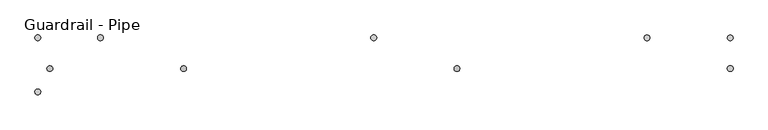
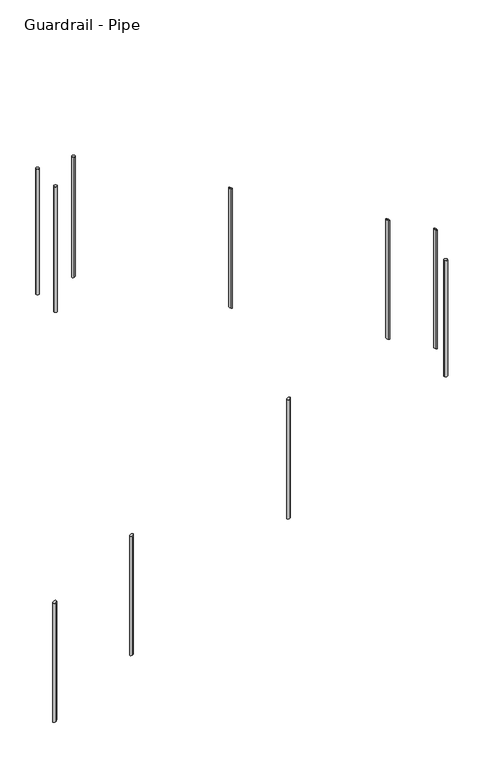
"""IFC4 building model written with IfcOpenShell, lengths in millimetres: railing geometry, Guardrail - Pipe."""

from ifc_helpers import new_model, si_unit, point, frame, frame_2d, origin, place, context, project, spatial, circle_curve, ellipse_curve, trimmed, segment, composite_curve, outline, extrude, source, transform, mapped, element, save
from ifc_brep_helpers import plane_surface, cylinder_surface, advanced_brep


def guardrail_pipe_5c533cdc(model_context):
    return source(origin(), model_context, "Body", "SolidModel", [
        advanced_brep(
        [(3325.1452881, -22477.3087769, 9148.9530083), (3325.1452881, -22477.3087769, 8175.7424099), (3325.1452881, -22502.7087769, 8175.7424099), (3325.1452881, -22502.7087769, 9148.9530083)],
        [
            (0, 1),
            (1, 2, ellipse_curve(frame((3325.1452881, -22490.0087769, 8175.7424099), z_axis=(-0.49465847024287274, 0.0, 0.8690874511906044), x_axis=(0.8690874511906044, 0.0, 0.49465847024287246)), 14.6130289, 12.7)),
            (2, 3),
            (3, 0, ellipse_curve(frame((3325.1452881, -22490.0087769, 9148.9530083), z_axis=(0.49465847024287474, 0.0, -0.8690874511906033), x_axis=(0.8690874511906034, 0.0, 0.4946584702428743)), 14.6130289, 12.7)),
            (0, 3, ellipse_curve(frame((3325.1452881, -22490.0087769, 9148.9530083), z_axis=(0.49465847024287474, 0.0, -0.8690874511906033), x_axis=(0.8690874511906034, 0.0, 0.4946584702428743)), 14.6130289, 12.7)),
            (2, 1, ellipse_curve(frame((3325.1452881, -22490.0087769, 8175.7424099), z_axis=(-0.49465847024287274, 0.0, 0.8690874511906044), x_axis=(0.8690874511906044, 0.0, 0.49465847024287246)), 14.6130289, 12.7)),
        ],
        [
            cylinder_surface(frame((3325.1452881, -22490.0087769, 7947.1424099), z_axis=(0.0, 0.0, 1.0), x_axis=(0.0, -1.0, 0.0)), 12.7),
            plane_surface(frame((3299.7452881, -22515.4087769, 9134.4960913), z_axis=(-0.49465847024287474, 0.0, 0.8690874511906033), x_axis=(0.0, 1.0, 0.0))),
            plane_surface(frame((3350.5452881, -22515.4087769, 8190.1993269), z_axis=(0.49465847024287274, 0.0, -0.8690874511906044), x_axis=(0.0, 1.0, 0.0))),
        ],
        [
            (0, [[1, 2, 3, 4]]),
            (0, [[-1, 5, -3, 6]]),
            (1, [[-4, -5]]),
            (2, [[-2, -6]]),
        ],
    ),
        advanced_brep(
        [(4544.3452881, -22477.3087769, 9842.8850241), (4544.3452881, -22477.3087769, 8869.6744257), (4544.3452881, -22502.7087769, 8869.6744257), (4544.3452881, -22502.7087769, 9842.8850241)],
        [
            (0, 1),
            (1, 2, ellipse_curve(frame((4544.3452881, -22490.0087769, 8869.6744257), z_axis=(-0.49465847024287274, 0.0, 0.8690874511906044), x_axis=(0.8690874511906044, 0.0, 0.49465847024287246)), 14.6130289, 12.7)),
            (2, 3),
            (3, 0, ellipse_curve(frame((4544.3452881, -22490.0087769, 9842.8850241), z_axis=(0.49465847024287474, 0.0, -0.8690874511906033), x_axis=(0.8690874511906034, 0.0, 0.4946584702428743)), 14.6130289, 12.7)),
            (0, 3, ellipse_curve(frame((4544.3452881, -22490.0087769, 9842.8850241), z_axis=(0.49465847024287474, 0.0, -0.8690874511906033), x_axis=(0.8690874511906034, 0.0, 0.4946584702428743)), 14.6130289, 12.7)),
            (2, 1, ellipse_curve(frame((4544.3452881, -22490.0087769, 8869.6744257), z_axis=(-0.49465847024287274, 0.0, 0.8690874511906044), x_axis=(0.8690874511906044, 0.0, 0.49465847024287246)), 14.6130289, 12.7)),
        ],
        [
            cylinder_surface(frame((4544.3452881, -22490.0087769, 8641.0744257), z_axis=(0.0, 0.0, 1.0), x_axis=(0.0, -1.0, 0.0)), 12.7),
            plane_surface(frame((4518.9452881, -22515.4087769, 9828.4281071), z_axis=(-0.49465847024287474, 0.0, 0.8690874511906033), x_axis=(0.0, 1.0, 0.0))),
            plane_surface(frame((4569.7452881, -22515.4087769, 8884.1313427), z_axis=(0.49465847024287274, 0.0, -0.8690874511906044), x_axis=(0.0, 1.0, 0.0))),
        ],
        [
            (0, [[1, 2, 3, 4]]),
            (0, [[-1, 5, -3, 6]]),
            (1, [[-4, -5]]),
            (2, [[-2, -6]]),
        ],
    ),
        advanced_brep(
        [(5392.1904629, -22365.5340928, 10932.9978312), (5392.1904629, -22365.5340928, 9958.4777259), (5392.1904629, -22340.1340928, 9958.4777259), (5392.1904629, -22340.1340928, 10932.9978312)],
        [
            (0, 1),
            (1, 2, ellipse_curve(frame((5392.1904629, -22352.8340928, 9958.4777259), z_axis=(0.4886065085000147, 0.0, 0.872504257784124), x_axis=(-0.872504257784124, 0.0, 0.4886065085000147)), 14.5558029, 12.7)),
            (2, 3),
            (3, 0, ellipse_curve(frame((5392.1904629, -22352.8340928, 10932.9978312), z_axis=(-0.4892060854708135, 0.0, -0.8721682211238398), x_axis=(-0.87216822112384, 0.0, 0.48920608547081335)), 14.5614111, 12.7)),
            (0, 3, ellipse_curve(frame((5392.1904629, -22352.8340928, 10932.9978312), z_axis=(-0.4892060854708135, 0.0, -0.8721682211238398), x_axis=(-0.87216822112384, 0.0, 0.48920608547081335)), 14.5614111, 12.7)),
            (2, 1, ellipse_curve(frame((5392.1904629, -22352.8340928, 9958.4777259), z_axis=(0.4886065085000147, 0.0, 0.872504257784124), x_axis=(-0.872504257784124, 0.0, 0.4886065085000147)), 14.5558029, 12.7)),
        ],
        [
            cylinder_surface(frame((5392.1904629, -22352.8340928, 9729.8777259), z_axis=(0.0, 0.0, 1.0), x_axis=(0.0, 1.0, 0.0)), 12.7),
            plane_surface(frame((5417.5904629, -22327.4340928, 10918.7507694), z_axis=(0.4892060854708135, 0.0, 0.8721682211238398), x_axis=(0.0, -1.0, 0.0))),
            plane_surface(frame((5366.7904629, -22327.4340928, 9972.7018459), z_axis=(-0.4886065085000147, 0.0, -0.872504257784124), x_axis=(0.0, -1.0, 0.0))),
        ],
        [
            (0, [[1, 2, 3, 4]]),
            (0, [[-1, 5, -3, 6]]),
            (1, [[-4, -5]]),
            (2, [[-2, -6]]),
        ],
    ),
        advanced_brep(
        [(4172.9904629, -22365.5340928, 11616.856799), (4172.9904629, -22365.5340928, 10641.2354888), (4172.9904629, -22340.1340928, 10641.2354888), (4172.9904629, -22340.1340928, 11616.856799)],
        [
            (0, 1),
            (1, 2, ellipse_curve(frame((4172.9904629, -22352.8340928, 10641.2354888), z_axis=(0.4886065085000147, 0.0, 0.872504257784124), x_axis=(-0.872504257784124, 0.0, 0.4886065085000147)), 14.5558029, 12.7)),
            (2, 3),
            (3, 0, ellipse_curve(frame((4172.9904629, -22352.8340928, 11616.856799), z_axis=(-0.4892060854708135, 0.0, -0.8721682211238398), x_axis=(-0.87216822112384, 0.0, 0.48920608547081335)), 14.5614111, 12.7)),
            (0, 3, ellipse_curve(frame((4172.9904629, -22352.8340928, 11616.856799), z_axis=(-0.4892060854708135, 0.0, -0.8721682211238398), x_axis=(-0.87216822112384, 0.0, 0.48920608547081335)), 14.5614111, 12.7)),
            (2, 1, ellipse_curve(frame((4172.9904629, -22352.8340928, 10641.2354888), z_axis=(0.4886065085000147, 0.0, 0.872504257784124), x_axis=(-0.872504257784124, 0.0, 0.4886065085000147)), 14.5558029, 12.7)),
        ],
        [
            cylinder_surface(frame((4172.9904629, -22352.8340928, 10412.6354888), z_axis=(0.0, 0.0, 1.0), x_axis=(0.0, 1.0, 0.0)), 12.7),
            plane_surface(frame((4198.3904629, -22327.4340928, 11602.6097372), z_axis=(0.4892060854708135, 0.0, 0.8721682211238398), x_axis=(0.0, -1.0, 0.0))),
            plane_surface(frame((4147.5904629, -22327.4340928, 10655.4596088), z_axis=(-0.4886065085000147, 0.0, -0.872504257784124), x_axis=(0.0, -1.0, 0.0))),
        ],
        [
            (0, [[1, 2, 3, 4]]),
            (0, [[-1, 5, -3, 6]]),
            (1, [[-4, -5]]),
            (2, [[-2, -6]]),
        ],
    ),
        extrude(outline(composite_curve([segment(trimmed(circle_curve(frame_2d((5763.5452881, -22490.0087769)), 12.7), [point((5776.2452881, -22490.0087769))], [point((5750.8452881, -22490.0087769))], False, "CARTESIAN"), True, "CONTINUOUS"), segment(trimmed(circle_curve(frame_2d((5763.5452881, -22490.0087769)), 12.7), [point((5750.8452881, -22490.0087769))], [point((5776.2452881, -22490.0087769))], False, "CARTESIAN"), True, "CONTINUOUS")], self_intersect=False)), frame((0.0, 0.0, 9604.5130435), z_axis=(0.0, 0.0, 1.0), x_axis=(1.0, 0.0, 0.0)), (0.0, 0.0, 1.0), 952.5),
        advanced_brep(
        [(5763.5452881, -22365.5340928, 10724.701959), (5763.5452881, -22365.5340928, 9750.5172684), (5763.5452881, -22340.1340928, 9750.5172684), (5763.5452881, -22340.1340928, 10724.701959)],
        [
            (0, 1),
            (1, 2, ellipse_curve(frame((5763.5452881, -22352.8340928, 9750.5172684), z_axis=(0.4886065085000147, 0.0, 0.872504257784124), x_axis=(-0.872504257784124, 0.0, 0.4886065085000147)), 14.5558029, 12.7)),
            (2, 3),
            (3, 0, ellipse_curve(frame((5763.5452881, -22352.8340928, 10724.701959), z_axis=(-0.4892060854708135, 0.0, -0.8721682211238398), x_axis=(-0.87216822112384, 0.0, 0.48920608547081335)), 14.5614111, 12.7)),
            (0, 3, ellipse_curve(frame((5763.5452881, -22352.8340928, 10724.701959), z_axis=(-0.4892060854708135, 0.0, -0.8721682211238398), x_axis=(-0.87216822112384, 0.0, 0.48920608547081335)), 14.5614111, 12.7)),
            (2, 1, ellipse_curve(frame((5763.5452881, -22352.8340928, 9750.5172684), z_axis=(0.4886065085000147, 0.0, 0.872504257784124), x_axis=(-0.872504257784124, 0.0, 0.4886065085000147)), 14.5558029, 12.7)),
        ],
        [
            cylinder_surface(frame((5763.5452881, -22352.8340928, 9521.9172684), z_axis=(0.0, 0.0, 1.0), x_axis=(0.0, 1.0, 0.0)), 12.7),
            plane_surface(frame((5788.9452881, -22327.4340928, 10710.4548972), z_axis=(0.4892060854708135, 0.0, 0.8721682211238398), x_axis=(0.0, -1.0, 0.0))),
            plane_surface(frame((5738.1452881, -22327.4340928, 9764.7413885), z_axis=(-0.4886065085000147, 0.0, -0.872504257784124), x_axis=(0.0, -1.0, 0.0))),
        ],
        [
            (0, [[1, 2, 3, 4]]),
            (0, [[-1, 5, -3, 6]]),
            (1, [[-4, -5]]),
            (2, [[-2, -6]]),
        ],
    ),
        advanced_brep(
        [(2953.7904629, -22365.5340928, 12306.3), (2953.7904629, -22365.5340928, 11323.9932517), (2953.7904629, -22340.1340928, 11323.9932517), (2953.7904629, -22340.1340928, 12306.3)],
        [
            (0, 1),
            (1, 2, ellipse_curve(frame((2953.7904629, -22352.8340928, 11323.9932517), z_axis=(-0.48860650850001475, 0.0, 0.872504257784124), x_axis=(0.8725042577841241, 0.0, 0.4886065085000147)), 14.5558029, 12.7)),
            (2, 3),
            (3, 0, circle_curve(frame((2953.7904629, -22352.8340928, 12306.3), z_axis=(0.0, 0.0, -1.0), x_axis=(0.0, 1.0, 0.0)), 12.7)),
            (0, 3, circle_curve(frame((2953.7904629, -22352.8340928, 12306.3), z_axis=(0.0, 0.0, -1.0), x_axis=(0.0, 1.0, 0.0)), 12.7)),
            (2, 1, ellipse_curve(frame((2953.7904629, -22352.8340928, 11323.9932517), z_axis=(-0.48860650850001475, 0.0, 0.872504257784124), x_axis=(0.8725042577841241, 0.0, 0.4886065085000147)), 14.5558029, 12.7)),
        ],
        [
            cylinder_surface(frame((2953.7904629, -22352.8340928, 11095.3932517), z_axis=(0.0, 0.0, 1.0), x_axis=(0.0, 1.0, 0.0)), 12.7),
            plane_surface(frame((2979.1904629, -22327.4340928, 12306.3), z_axis=(0.0, 0.0, 1.0), x_axis=(0.0, -1.0, 0.0))),
            plane_surface(frame((2928.3904629, -22327.4340928, 11309.7691316), z_axis=(0.48860650850001475, 0.0, -0.872504257784124), x_axis=(0.0, -1.0, 0.0))),
        ],
        [
            (0, [[1, 2, 3, 4]]),
            (0, [[-1, 5, -3, 6]]),
            (1, [[-4, -5]]),
            (2, [[-2, -6]]),
        ],
    ),
        extrude(outline(composite_curve([segment(trimmed(circle_curve(frame_2d((2674.3904629, -22352.8340928)), 12.7), [point((2661.6904629, -22352.8340928))], [point((2687.0904629, -22352.8340928))], False, "CARTESIAN"), True, "CONTINUOUS"), segment(trimmed(circle_curve(frame_2d((2674.3904629, -22352.8340928)), 12.7), [point((2687.0904629, -22352.8340928))], [point((2661.6904629, -22352.8340928))], False, "CARTESIAN"), True, "CONTINUOUS")], self_intersect=False)), frame((0.0, 0.0, 11277.6), z_axis=(0.0, 0.0, 1.0), x_axis=(1.0, 0.0, 0.0)), (0.0, 0.0, 1.0), 1028.7),
        advanced_brep(
        [(2728.2452881, -22477.3087769, 8809.2154589), (2728.2452881, -22477.3087769, 7836.0048605), (2728.2452881, -22502.7087769, 7836.0048605), (2728.2452881, -22502.7087769, 8809.2154589)],
        [
            (0, 1),
            (1, 2, ellipse_curve(frame((2728.2452881, -22490.0087769, 7836.0048605), z_axis=(-0.49465847024287274, 0.0, 0.8690874511906044), x_axis=(0.8690874511906044, 0.0, 0.49465847024287246)), 14.6130289, 12.7)),
            (2, 3),
            (3, 0, ellipse_curve(frame((2728.2452881, -22490.0087769, 8809.2154589), z_axis=(0.49465847024287474, 0.0, -0.8690874511906033), x_axis=(0.8690874511906034, 0.0, 0.4946584702428743)), 14.6130289, 12.7)),
            (0, 3, ellipse_curve(frame((2728.2452881, -22490.0087769, 8809.2154589), z_axis=(0.49465847024287474, 0.0, -0.8690874511906033), x_axis=(0.8690874511906034, 0.0, 0.4946584702428743)), 14.6130289, 12.7)),
            (2, 1, ellipse_curve(frame((2728.2452881, -22490.0087769, 7836.0048605), z_axis=(-0.49465847024287274, 0.0, 0.8690874511906044), x_axis=(0.8690874511906044, 0.0, 0.49465847024287246)), 14.6130289, 12.7)),
        ],
        [
            cylinder_surface(frame((2728.2452881, -22490.0087769, 7607.4048605), z_axis=(0.0, 0.0, 1.0), x_axis=(0.0, -1.0, 0.0)), 12.7),
            plane_surface(frame((2702.8452881, -22515.4087769, 8794.7585419), z_axis=(-0.49465847024287474, 0.0, 0.8690874511906033), x_axis=(0.0, 1.0, 0.0))),
            plane_surface(frame((2753.6452881, -22515.4087769, 7850.4617775), z_axis=(0.49465847024287274, 0.0, -0.8690874511906044), x_axis=(0.0, 1.0, 0.0))),
        ],
        [
            (0, [[1, 2, 3, 4]]),
            (0, [[-1, 5, -3, 6]]),
            (1, [[-4, -5]]),
            (2, [[-2, -6]]),
        ],
    ),
        extrude(outline(composite_curve([segment(trimmed(circle_curve(frame_2d((2674.3904629, -22594.1340928)), 12.7), [point((2661.6904629, -22594.1340928))], [point((2687.0904629, -22594.1340928))], False, "CARTESIAN"), True, "CONTINUOUS"), segment(trimmed(circle_curve(frame_2d((2674.3904629, -22594.1340928)), 12.7), [point((2687.0904629, -22594.1340928))], [point((2661.6904629, -22594.1340928))], False, "CARTESIAN"), True, "CONTINUOUS")], self_intersect=False)), frame((0.0, 0.0, 11277.6), z_axis=(0.0, 0.0, 1.0), x_axis=(1.0, 0.0, 0.0)), (0.0, 0.0, 1.0), 1028.7),
    ])


if __name__ == "__main__":
    model = new_model("IFC4")
    model_context = context("Model", 3, world=origin())
    ifc_project = project(units=[si_unit("LENGTHUNIT", "METRE", prefix="MILLI")], contexts=[model_context])
    site = spatial("IfcSite", under=ifc_project)
    building = spatial("IfcBuilding", under=site)
    placement = place(None, origin())
    guardrail_pipe_shape = guardrail_pipe_5c533cdc(model_context)
    element("IfcRailing", 1, ObjectType="Guardrail - Pipe", at=placement, inside=building, context=model_context, shape_type="MappedRepresentation", body=[
        mapped(guardrail_pipe_shape, transform((0.0, 0.0, 0.0), x_axis=(1.0, 0.0, 0.0), y_axis=(0.0, 1.0, 0.0), z_axis=(0.0, 0.0, 1.0))),
    ])
    save(model, "model.ifc")
